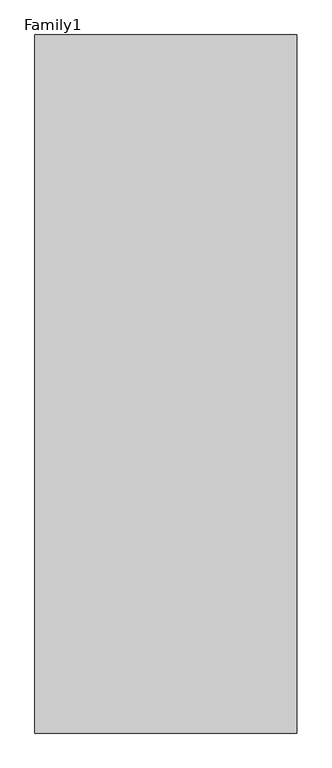
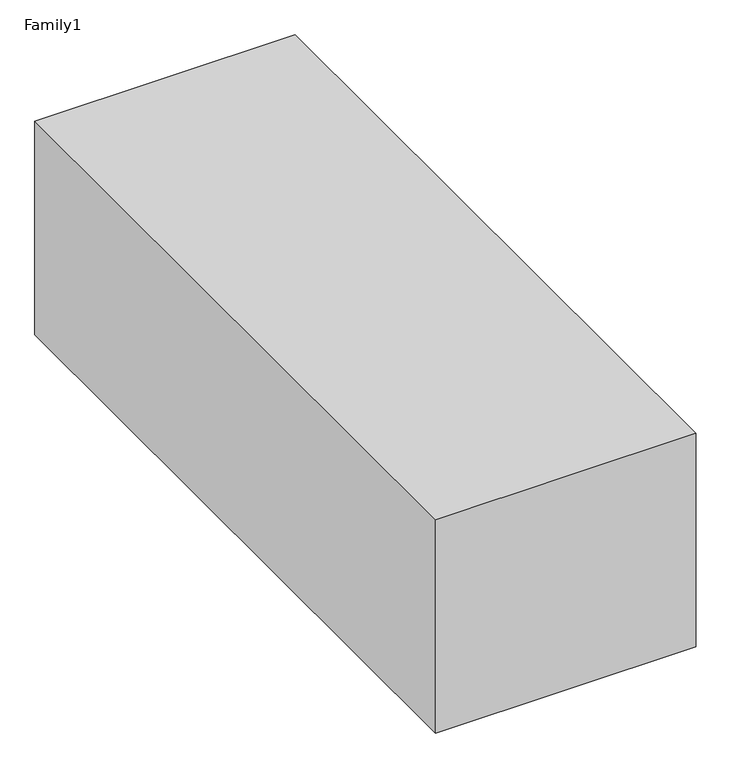
"""IFC4 building model written with IfcOpenShell, lengths in millimetres: proxy geometry, Family1."""

from ifc_helpers import new_model, si_unit, frame, origin, place, context, project, spatial, polyline, outline, extrude, source, transform, mapped, element, save


def family1_19b85e43(model_context):
    return source(origin(), model_context, "Body", "SweptSolid", [
        extrude(outline(polyline([(1500.0, 0.0), (0.0, 0.0), (0.0, 4000.0), (1500.0, 4000.0), (1500.0, 0.0)])), frame((0.0, 0.0, 1000.0), z_axis=(0.0, 0.0, 1.0), x_axis=(1.0, 0.0, 0.0)), (0.0, 0.0, 1.0), 1300.0),
    ])


if __name__ == "__main__":
    model = new_model("IFC4")
    model_context = context("Model", 3, world=origin())
    ifc_project = project(units=[si_unit("LENGTHUNIT", "METRE", prefix="MILLI")], contexts=[model_context])
    site = spatial("IfcSite", under=ifc_project)
    building = spatial("IfcBuilding", under=site)
    placement = place(None, origin())
    family1_shape = family1_19b85e43(model_context)
    element("IfcBuildingElementProxy", 1, Name="Family1", ObjectType="Family1", at=placement, inside=building, context=model_context, shape_type="MappedRepresentation", body=[
        mapped(family1_shape, transform((0.0, 0.0, 0.0), x_axis=(1.0, 0.0, 0.0), y_axis=(0.0, 1.0, 0.0), z_axis=(0.0, 0.0, 1.0))),
    ])
    save(model, "model.ifc")
